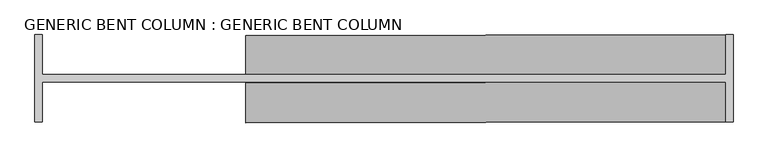
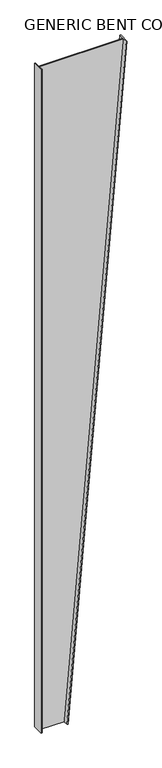
"""IFC4 building model written with IfcOpenShell, lengths in millimetres: proxy geometry, GENERIC BENT COLUMN : GENERIC BENT COLUMN."""

from ifc_helpers import new_model, si_unit, origin, place, context, project, spatial, faceted_brep, source, transform, mapped, element, save


def generic_bent_column_generic_bent_column_2fd8e85a(model_context):
    return source(origin(), model_context, "Body", "Brep", [
        faceted_brep([(25.4, 12.7, 19812.0), (25.4, 152.4, 19812.0), (0.0, 152.4, 19812.0), (0.0, -152.4, 19812.0), (25.4, -152.4, 19812.0), (25.4, -12.7, 19812.0), (2413.0, -12.7, 19812.0), (2413.0, -152.4, 19812.0), (2438.4, -152.4, 19812.0), (2438.4, 152.4, 19812.0), (2413.0, 152.4, 19812.0), (2413.0, 12.7, 19812.0), (25.4, 12.7, 0.0), (736.6, 12.7, 0.0), (736.6, 152.4, 0.0), (762.0, 152.4, 0.0), (762.0, -152.4, 0.0), (736.6, -152.4, 0.0), (736.6, -12.7, 0.0), (25.4, -12.7, 0.0), (25.4, -152.4, 0.0), (0.0, -152.4, 0.0), (0.0, 152.4, 0.0), (25.4, 152.4, 0.0)], [[[0, 1, 2, 3, 4, 5, 6, 7, 8, 9, 10, 11]], [[12, 13, 14, 15, 16, 17, 18, 19, 20, 21, 22, 23]], [[12, 23, 1, 0]], [[23, 22, 2, 1]], [[22, 21, 3, 2]], [[21, 20, 4, 3]], [[20, 19, 5, 4]], [[19, 18, 6, 5]], [[18, 17, 7, 6]], [[17, 16, 8, 7]], [[16, 15, 9, 8]], [[15, 14, 10, 9]], [[14, 13, 11, 10]], [[13, 12, 0, 11]]]),
    ])


if __name__ == "__main__":
    model = new_model("IFC4")
    model_context = context("Model", 3, world=origin())
    ifc_project = project(units=[si_unit("LENGTHUNIT", "METRE", prefix="MILLI")], contexts=[model_context])
    site = spatial("IfcSite", under=ifc_project)
    building = spatial("IfcBuilding", under=site)
    placement = place(None, origin())
    generic_bent_column_generic_bent_column_shape = generic_bent_column_generic_bent_column_2fd8e85a(model_context)
    element("IfcBuildingElementProxy", 1, Name="GENERIC BENT COLUMN : GENERIC BENT COLUMN", ObjectType="GENERIC BENT COLUMN : GENERIC BENT COLUMN", at=placement, inside=building, context=model_context, shape_type="MappedRepresentation", body=[
        mapped(generic_bent_column_generic_bent_column_shape, transform((0.0, 0.0, 0.0), x_axis=(1.0, 0.0, 0.0), y_axis=(0.0, 1.0, 0.0), z_axis=(0.0, 0.0, 1.0))),
    ])
    save(model, "model.ifc")
